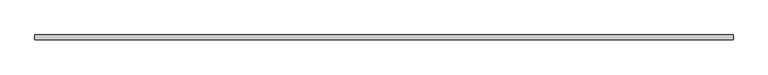
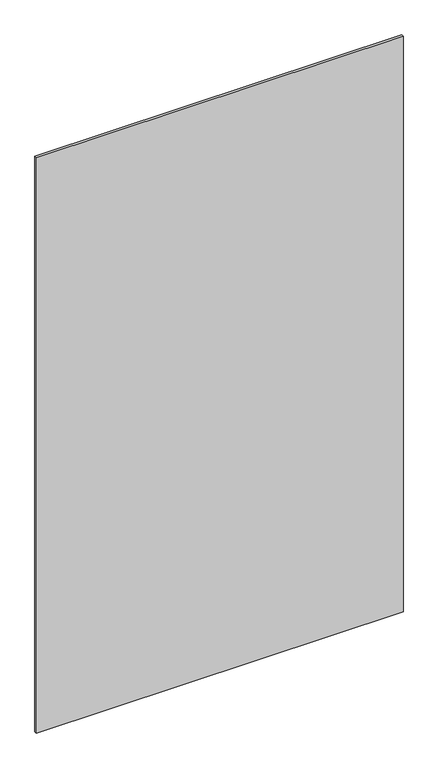
"""IFC4 building model written with IfcOpenShell, lengths in millimetres: plate geometry."""

from ifc_helpers import new_model, si_unit, origin, origin_with_axes, place, context, project, spatial, polyline, outline, extrude, source, transform, mapped, element, save


def plate_a21accb9(model_context):
    return source(origin(), model_context, "Body", "SweptSolid", [
        extrude(outline(polyline([(893.7625, 26.9875), (893.7625, 14.2875), (-893.7625, 14.2875), (-893.7625, 26.9875), (893.7625, 26.9875)])), origin_with_axes(), (0.0, 0.0, 1.0), 2965.45),
    ])


if __name__ == "__main__":
    model = new_model("IFC4")
    model_context = context("Model", 3, world=origin())
    ifc_project = project(units=[si_unit("LENGTHUNIT", "METRE", prefix="MILLI")], contexts=[model_context])
    site = spatial("IfcSite", under=ifc_project)
    building = spatial("IfcBuilding", under=site)
    placement = place(None, origin())
    plate_shape = plate_a21accb9(model_context)
    element("IfcPlate", 1, at=placement, inside=building, context=model_context, shape_type="MappedRepresentation", body=[
        mapped(plate_shape, transform((0.0, 0.0, 0.0), x_axis=(1.0, 0.0, 0.0), y_axis=(0.0, 1.0, 0.0), z_axis=(0.0, 0.0, 1.0))),
    ])
    save(model, "model.ifc")
